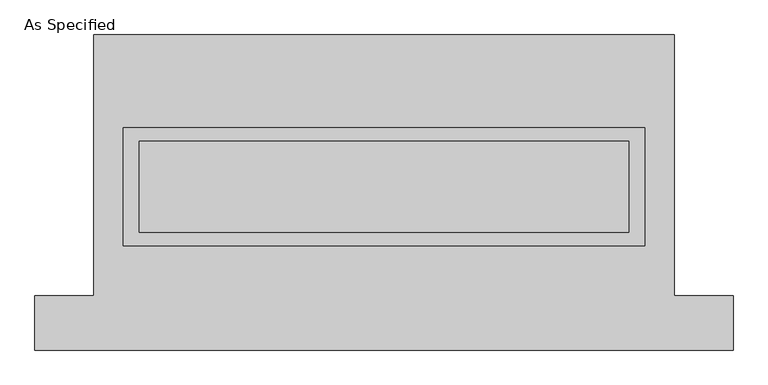
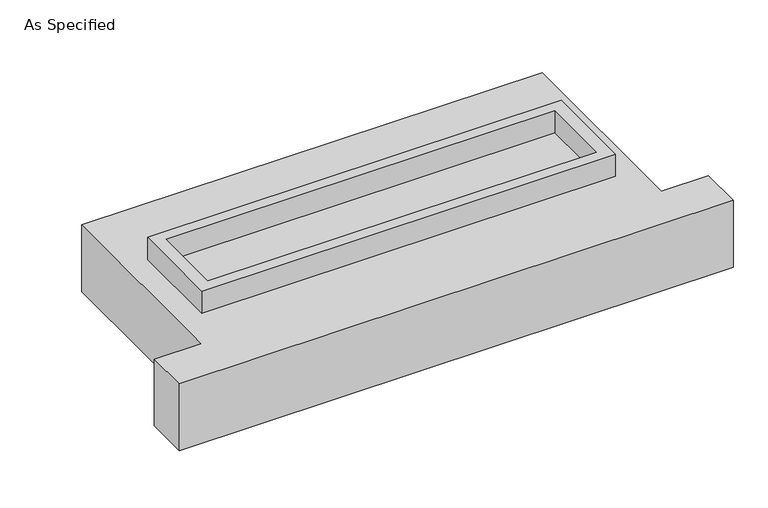
"""IFC4 building model written with IfcOpenShell, lengths in millimetres: proxy geometry, As Specified."""

from ifc_helpers import new_model, si_unit, frame, origin, place, context, project, spatial, polyline, outline, extrude, source, transform, mapped, element, save


def as_specified_60825de3(model_context):
    return source(origin(), model_context, "Body", "SweptSolid", [
        extrude(outline(polyline([(1460.5, 361.95), (1460.5, -298.45), (-1460.5, -298.45), (-1460.5, 361.95), (1460.5, 361.95)]), holes=[polyline([(1371.6, 285.75), (-1371.6, 285.75), (-1371.6, -222.25), (1371.6, -222.25), (1371.6, 285.75)])]), frame((0.0, 0.0, -688.975), z_axis=(0.0, 0.0, 1.0), x_axis=(1.0, 0.0, 0.0)), (0.0, 0.0, 1.0), 165.1),
        extrude(outline(polyline([(1460.5, 361.95), (1460.5, -298.45), (-1460.5, -298.45), (-1460.5, 361.95), (1460.5, 361.95)]), holes=[polyline([(1371.6, 285.75), (-1371.6, 285.75), (-1371.6, -222.25), (1371.6, -222.25), (1371.6, 285.75)])]), frame((0.0, 0.0, -25.4), z_axis=(0.0, 0.0, 1.0), x_axis=(1.0, 0.0, 0.0)), (0.0, 0.0, 1.0), 165.1),
        extrude(outline(polyline([(1371.6, 285.75), (1371.6, -222.25), (-1371.6, -222.25), (-1371.6, 285.75), (1371.6, 285.75)])), frame((0.0, 0.0, -523.875), z_axis=(0.0, 0.0, 1.0), x_axis=(1.0, 0.0, 0.0)), (0.0, 0.0, 1.0), 4.9609375),
        extrude(outline(polyline([(1371.6, 285.75), (1371.6, -222.25), (-1371.6, -222.25), (-1371.6, 285.75), (1371.6, 285.75)])), frame((0.0, 0.0, -30.3609375), z_axis=(0.0, 0.0, 1.0), x_axis=(1.0, 0.0, 0.0)), (0.0, 0.0, 1.0), 4.9609375),
        extrude(outline(polyline([(-1625.6, 882.65), (1625.6, 882.65), (1625.6, -577.85), (1955.8, -577.85), (1955.8, -882.65), (-1955.8, -882.65), (-1955.8, -577.85), (-1625.6, -577.85), (-1625.6, 882.65)]), holes=[polyline([(-1460.5, 361.95), (-1460.5, -298.45), (1460.5, -298.45), (1460.5, 361.95), (-1460.5, 361.95)])]), frame((0.0, 0.0, -523.875), z_axis=(0.0, 0.0, 1.0), x_axis=(1.0, 0.0, 0.0)), (0.0, 0.0, 1.0), 498.475),
    ])


if __name__ == "__main__":
    model = new_model("IFC4")
    model_context = context("Model", 3, world=origin())
    ifc_project = project(units=[si_unit("LENGTHUNIT", "METRE", prefix="MILLI")], contexts=[model_context])
    site = spatial("IfcSite", under=ifc_project)
    building = spatial("IfcBuilding", under=site)
    placement = place(None, origin())
    as_specified_shape = as_specified_60825de3(model_context)
    element("IfcBuildingElementProxy", 1, Name="As Specified", ObjectType="As Specified", at=placement, inside=building, context=model_context, shape_type="MappedRepresentation", body=[
        mapped(as_specified_shape, transform((0.0, 0.0, 0.0), x_axis=(1.0, 0.0, 0.0), y_axis=(0.0, 1.0, 0.0), z_axis=(0.0, 0.0, 1.0))),
    ])
    save(model, "model.ifc")
